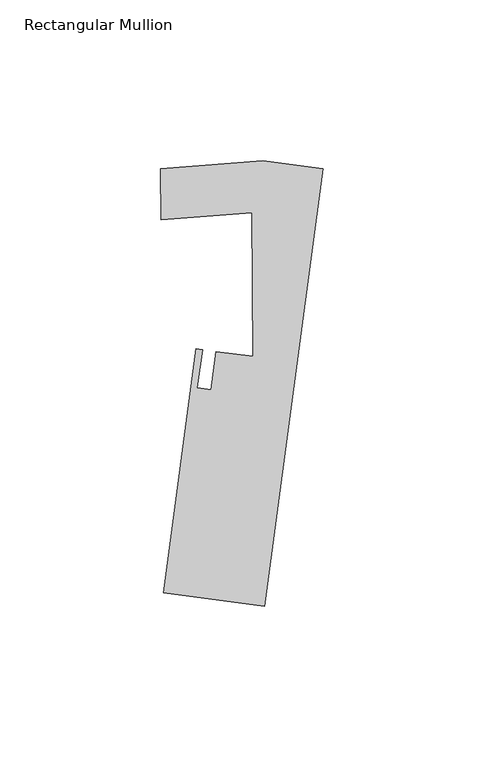
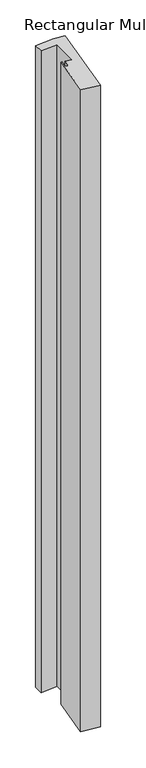
"""IFC4 building model written with IfcOpenShell, lengths in millimetres: member geometry, Rectangular Mullion."""

from ifc_helpers import new_model, si_unit, frame, origin, place, context, project, spatial, polyline, outline, extrude, source, transform, mapped, element, save


def rectangular_mullion_879f5de9(model_context):
    return source(origin(), model_context, "Body", "SweptSolid", [
        extrude(outline(polyline([(2.6468933, 19.8666362), (-15.4740537, -116.1427235), (-46.946964, -111.9494905), (-36.8399198, -36.0896251), (-34.8751067, -36.3514032), (-36.4450027, -48.1344822), (-32.1144694, -48.7114525), (-30.5445567, -36.9282484), (-19.1787577, -38.442549), (-19.4332363, 6.177464), (-47.7295251, 3.9947185), (-47.8205673, 19.8870322), (-15.9553998, 22.3450772), (2.6468933, 19.8666362)])), frame((0.0, 0.0, -1155.7), z_axis=(0.0, 0.0, 1.0), x_axis=(1.0, 0.0, 0.0)), (0.0, 0.0, 1.0), 1155.7),
    ])


if __name__ == "__main__":
    model = new_model("IFC4")
    model_context = context("Model", 3, world=origin())
    ifc_project = project(units=[si_unit("LENGTHUNIT", "METRE", prefix="MILLI")], contexts=[model_context])
    site = spatial("IfcSite", under=ifc_project)
    building = spatial("IfcBuilding", under=site)
    placement = place(None, origin())
    rectangular_mullion_shape = rectangular_mullion_879f5de9(model_context)
    element("IfcMember", 1, ObjectType="Rectangular Mullion", at=placement, inside=building, context=model_context, shape_type="MappedRepresentation", body=[
        mapped(rectangular_mullion_shape, transform((0.0, 0.0, 0.0), x_axis=(1.0, 0.0, 0.0), y_axis=(0.0, 1.0, 0.0), z_axis=(0.0, 0.0, 1.0))),
    ])
    save(model, "model.ifc")
